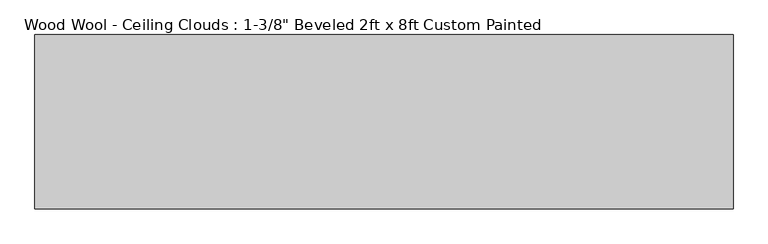
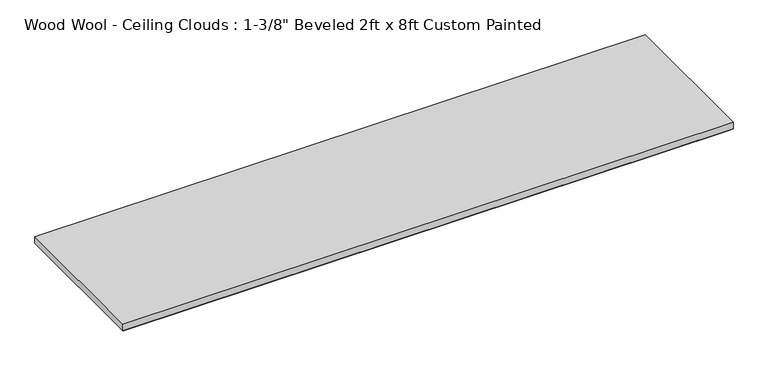
"""IFC4 building model written with IfcOpenShell, lengths in millimetres: proxy geometry."""

from ifc_helpers import new_model, si_unit, origin, place, context, project, spatial, faceted_brep, source, transform, mapped, element, save


def proxy_6ddc9953(model_context):
    return source(origin(), model_context, "Body", "Brep", [
        faceted_brep([(1211.199, -296.799, -34.925), (-1211.199, -296.799, -34.925), (-1211.199, 296.799, -34.925), (1211.199, 296.799, -34.925), (-1219.2, -304.8, 0.0), (1219.2, -304.8, 0.0), (1219.2, 304.8, 0.0), (-1219.2, 304.8, 0.0), (-1219.2, 304.8, -26.924), (-1219.2, -304.8, -26.924), (1219.2, 304.8, -26.924), (1219.2, -304.8, -26.924)], [[[0, 1, 2, 3]], [[4, 5, 6, 7]], [[4, 7, 8, 9]], [[7, 6, 10, 8]], [[6, 5, 11, 10]], [[5, 4, 9, 11]], [[9, 1, 0, 11]], [[1, 9, 8, 2]], [[2, 8, 10, 3]], [[11, 0, 3, 10]]]),
    ])


if __name__ == "__main__":
    model = new_model("IFC4")
    model_context = context("Model", 3, world=origin())
    ifc_project = project(units=[si_unit("LENGTHUNIT", "METRE", prefix="MILLI")], contexts=[model_context])
    site = spatial("IfcSite", under=ifc_project)
    building = spatial("IfcBuilding", under=site)
    placement = place(None, origin())
    proxy_shape = proxy_6ddc9953(model_context)
    element("IfcBuildingElementProxy", 1, Name="Wood Wool - Ceiling Clouds : 1-3/8\" Beveled 2ft x 8ft Custom Painted", ObjectType="Wood Wool - Ceiling Clouds : 1-3/8\" Beveled 2ft x 8ft Custom Painted", at=placement, inside=building, context=model_context, shape_type="MappedRepresentation", body=[
        mapped(proxy_shape, transform((0.0, 0.0, 0.0), x_axis=(1.0, 0.0, 0.0), y_axis=(0.0, 1.0, 0.0), z_axis=(0.0, 0.0, 1.0))),
    ])
    save(model, "model.ifc")
